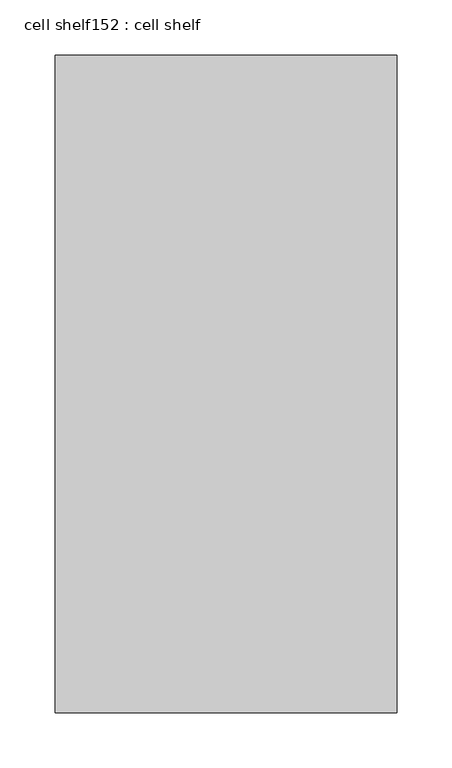
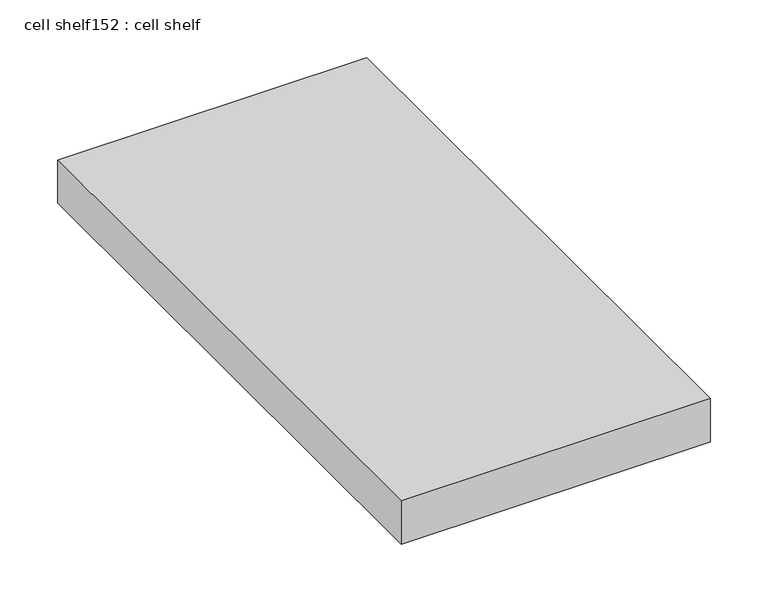
"""IFC4 building model written with IfcOpenShell, lengths in millimetres: proxy geometry, cell shelf152 : cell shelf."""

import ifcopenshell
import ifcopenshell.guid

model = None  # the IFC model being written
_history = None  # IfcOwnerHistory: only IFC2X3 demands one
_inside = {}  # id of a spatial element -> (the spatial element, [elements in it])
_under = {}  # id of a project, library or spatial element -> (it, [spatial elements below it])
_declared = {}  # id of a project -> (the project, [libraries it declares])
_typed = {}  # id of a type object -> (the type object, [elements of that type])
_made_of = {}  # id of a material, layer set ... -> (it, [elements and type objects made of it])


def new_model(schema):
    """Start an empty IFC model of exactly this schema.

    Asked for "IFC4X3", IfcOpenShell would pick the latest addendum, in which some entities
    have other attributes; the version numbers below select the first issue.
    IFC2X3 requires an IfcOwnerHistory on every rooted entity: one is made here for all.
    """
    global model, _history
    if schema == "IFC4X3":
        model = ifcopenshell.file(schema_version=(4, 3, 0, 0))
    else:
        model = ifcopenshell.file(schema=schema)
    _inside.clear()
    _under.clear()
    _declared.clear()
    _typed.clear()
    _made_of.clear()
    _history = None
    if model.schema == "IFC2X3":
        org = make("IfcOrganization", Name="unknown")
        user = make(
            "IfcPersonAndOrganization",
            ThePerson=make("IfcPerson", FamilyName="unknown"),
            TheOrganization=org,
        )
        app = make(
            "IfcApplication",
            ApplicationDeveloper=org,
            Version="unknown",
            ApplicationFullName="unknown",
            ApplicationIdentifier="unknown",
        )
        _history = make(
            "IfcOwnerHistory",
            OwningUser=user,
            OwningApplication=app,
            ChangeAction="ADDED",
            CreationDate=0,
        )
    return model


def make(cls, **values):
    """One entity of the class cls with the attributes given. An attribute that is None is left unset."""
    return model.create_entity(
        cls, **{name: value for name, value in values.items() if value is not None}
    )


def rooted(cls, **values):
    """An entity with a GlobalId (a new one), such as an element, a storey or a relation."""
    return make(cls, GlobalId=ifcopenshell.guid.new(), OwnerHistory=_history, **values)


def si_unit(unit_type, name, prefix=None):
    """IfcSIUnit, for example si_unit("LENGTHUNIT", "METRE", prefix="MILLI")."""
    return make("IfcSIUnit", UnitType=unit_type, Prefix=prefix, Name=name)


def assignment(units):
    """IfcUnitAssignment: the units of a project."""
    return None if units is None else make("IfcUnitAssignment", Units=units)


def point(xyz):
    """IfcCartesianPoint."""
    return None if xyz is None else make("IfcCartesianPoint", Coordinates=xyz)


def direction(xyz):
    """IfcDirection."""
    return None if xyz is None else make("IfcDirection", DirectionRatios=xyz)


def frame(location, z_axis=None, x_axis=None):
    """IfcAxis2Placement3D, a coordinate frame: its origin and axes. An axis left out is left unset."""
    return make(
        "IfcAxis2Placement3D",
        Location=point(location),
        Axis=direction(z_axis),
        RefDirection=direction(x_axis),
    )


def origin():
    """The frame at (0, 0, 0) with its axes left unset."""
    return frame((0.0, 0.0, 0.0))


def place(relative_to, where):
    """IfcLocalPlacement: puts the frame where relative to a parent placement (None: the world)."""
    return make(
        "IfcLocalPlacement", PlacementRelTo=relative_to, RelativePlacement=where
    )


def context(
    kind, dimensions, precision=None, world=None, true_north=None, identifier=None
):
    """IfcGeometricRepresentationContext, for example the 3D "Model" context."""
    return make(
        "IfcGeometricRepresentationContext",
        ContextIdentifier=identifier,
        ContextType=kind,
        CoordinateSpaceDimension=dimensions,
        Precision=precision,
        WorldCoordinateSystem=world,
        TrueNorth=true_north,
    )


def project(units=None, contexts=None):
    """IfcProject with its units and contexts."""
    return rooted(
        "IfcProject",
        Name="project",
        RepresentationContexts=contexts,
        UnitsInContext=assignment(units),
    )


def spatial(cls, under=None, at=None, **own):
    """A site, building, storey or space (cls), placed at a placement, below another one or the project."""
    s = rooted(cls, ObjectPlacement=at, **own)
    if under is not None:
        _under.setdefault(under.id(), (under, []))[1].append(s)
    return s


def polyline(points):
    """IfcPolyline through the points."""
    return make("IfcPolyline", Points=[point(p) for p in points])


def outline(outer, holes=None, kind="AREA"):
    """IfcArbitraryClosedProfileDef: a profile drawn as a closed curve; with holes, ...WithVoids."""
    if holes is None:
        return make("IfcArbitraryClosedProfileDef", ProfileType=kind, OuterCurve=outer)
    return make(
        "IfcArbitraryProfileDefWithVoids",
        ProfileType=kind,
        OuterCurve=outer,
        InnerCurves=holes,
    )


def extrude(swept, where, along, depth):
    """IfcExtrudedAreaSolid: the profile swept, set in the frame where, extruded along a direction by depth."""
    return make(
        "IfcExtrudedAreaSolid",
        SweptArea=swept,
        Position=where,
        ExtrudedDirection=direction(along),
        Depth=depth,
    )


def shape(context_of_items, identifier, shape_type, items):
    """IfcShapeRepresentation: the items that make up one representation, for example the "Body"."""
    return make(
        "IfcShapeRepresentation",
        ContextOfItems=context_of_items,
        RepresentationIdentifier=identifier,
        RepresentationType=shape_type,
        Items=items,
    )


def source(mapping_origin, context_of_items, identifier, shape_type, items):
    """IfcRepresentationMap: a shape defined once, which mapped items show again and again."""
    return make(
        "IfcRepresentationMap",
        MappingOrigin=mapping_origin,
        MappedRepresentation=shape(context_of_items, identifier, shape_type, items),
    )


def transform(
    local_origin,
    x_axis=None,
    y_axis=None,
    z_axis=None,
    scale=None,
    scale2=None,
    scale3=None,
    uniform=True,
):
    """IfcCartesianTransformationOperator3D, or its non-uniform kind. x_axis, y_axis, z_axis: its Axis1, 2, 3."""
    if uniform:
        return make(
            "IfcCartesianTransformationOperator3D",
            Axis1=direction(x_axis),
            Axis2=direction(y_axis),
            LocalOrigin=point(local_origin),
            Scale=scale,
            Axis3=direction(z_axis),
        )
    return make(
        "IfcCartesianTransformationOperator3DnonUniform",
        Axis1=direction(x_axis),
        Axis2=direction(y_axis),
        LocalOrigin=point(local_origin),
        Scale=scale,
        Axis3=direction(z_axis),
        Scale2=scale2,
        Scale3=scale3,
    )


def mapped(mapping_source, mapping_target):
    """IfcMappedItem: shows the shape of a source again, moved by a transform."""
    return make(
        "IfcMappedItem", MappingSource=mapping_source, MappingTarget=mapping_target
    )


def made_of(thing, what):
    """Note that an element or type object is made of a material, layer set ...; save() writes the relation."""
    if what is not None:
        _made_of.setdefault(what.id(), (what, []))[1].append(thing)
    return thing


def element(
    cls,
    number,
    at=None,
    inside=None,
    cuts=None,
    type_object=None,
    material=None,
    context=None,
    identifier="Body",
    shape_type=None,
    held_by="IfcProductDefinitionShape",
    body=None,
    shapes=None,
    **own,
):
    """One element of the class cls, such as IfcWall. Its Tag is "e" and its number.

    at: its placement. inside: the storey or other place that contains it. cuts: it is an
    opening in that element (IfcRelVoidsElement). A single representation is given by context,
    identifier, shape_type and body (its items); several are given by shapes. held_by: the class
    of the entity that holds the representations. save() writes the other relations.
    """
    e = rooted(cls, Tag="e%d" % number, ObjectPlacement=at, **own)
    if body is not None:
        shapes = [shape(context, identifier, shape_type, body)]
    if shapes is not None:
        e.Representation = make(held_by, Representations=shapes)
    if inside is not None:
        _inside.setdefault(inside.id(), (inside, []))[1].append(e)
    if cuts is not None:
        rooted(
            "IfcRelVoidsElement", RelatingBuildingElement=cuts, RelatedOpeningElement=e
        )
    if type_object is not None:
        _typed.setdefault(type_object.id(), (type_object, []))[1].append(e)
    return made_of(e, material)


def aggregate(whole, parts):
    """IfcRelAggregates: a whole, such as a stair, and the parts it consists of."""
    return rooted("IfcRelAggregates", RelatingObject=whole, RelatedObjects=parts)


def save(model, path):
    """Write the relations noted so far, then the file.

    IfcRelAggregates (storeys below a building ...), IfcRelContainedInSpatialStructure (elements
    in a storey), IfcRelDefinesByType, IfcRelAssociatesMaterial and IfcRelDeclares: one each for
    every whole, place, type object, material and project.
    """
    for whole, parts in _under.values():
        aggregate(whole, parts)
    for where, things in _inside.values():
        rooted(
            "IfcRelContainedInSpatialStructure",
            RelatedElements=things,
            RelatingStructure=where,
        )
    for kind, things in _typed.values():
        rooted("IfcRelDefinesByType", RelatedObjects=things, RelatingType=kind)
    for what, things in _made_of.values():
        rooted("IfcRelAssociatesMaterial", RelatedObjects=things, RelatingMaterial=what)
    for by, libraries in _declared.values():
        rooted("IfcRelDeclares", RelatingContext=by, RelatedDefinitions=libraries)
    model.write(path)


def cell_shelf152_cell_shelf_f88a5698(model_context):
    return source(origin(), model_context, "Body", "SweptSolid", [
        extrude(outline(polyline([(-119317.4657024, -72609.4792641), (-119317.4657024, -72014.3928685), (-119008.1179059, -72014.3928685), (-119008.1179059, -72609.4792641), (-119317.4657024, -72609.4792641)])), frame((0.0, 0.0, 1320.0941517), z_axis=(0.0, 0.0, 1.0), x_axis=(1.0, 0.0, 0.0)), (0.0, 0.0, 1.0), 45.8133004),
    ])


if __name__ == "__main__":
    model = new_model("IFC4")
    model_context = context("Model", 3, world=origin())
    ifc_project = project(units=[si_unit("LENGTHUNIT", "METRE", prefix="MILLI")], contexts=[model_context])
    site = spatial("IfcSite", under=ifc_project)
    building = spatial("IfcBuilding", under=site)
    placement = place(None, origin())
    cell_shelf152_cell_shelf_shape = cell_shelf152_cell_shelf_f88a5698(model_context)
    element("IfcBuildingElementProxy", 1, Name="cell shelf152 : cell shelf", ObjectType="cell shelf152 : cell shelf", at=placement, inside=building, context=model_context, shape_type="MappedRepresentation", body=[
        mapped(cell_shelf152_cell_shelf_shape, transform((0.0, 0.0, 0.0), x_axis=(1.0, 0.0, 0.0), y_axis=(0.0, 1.0, 0.0), z_axis=(0.0, 0.0, 1.0))),
    ])
    save(model, "model.ifc")
